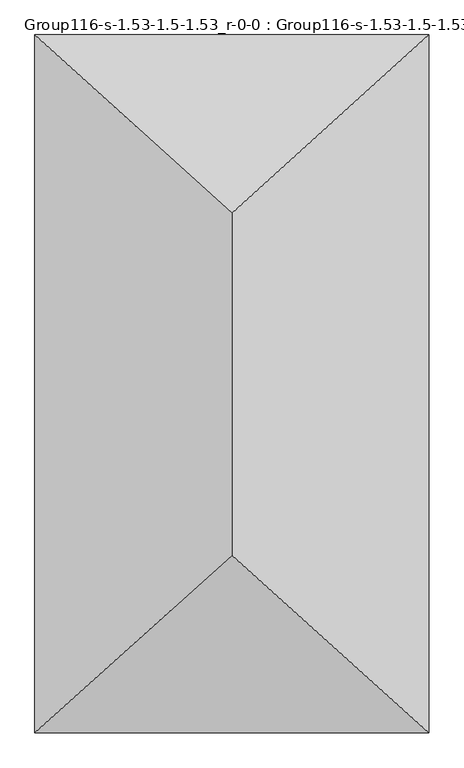
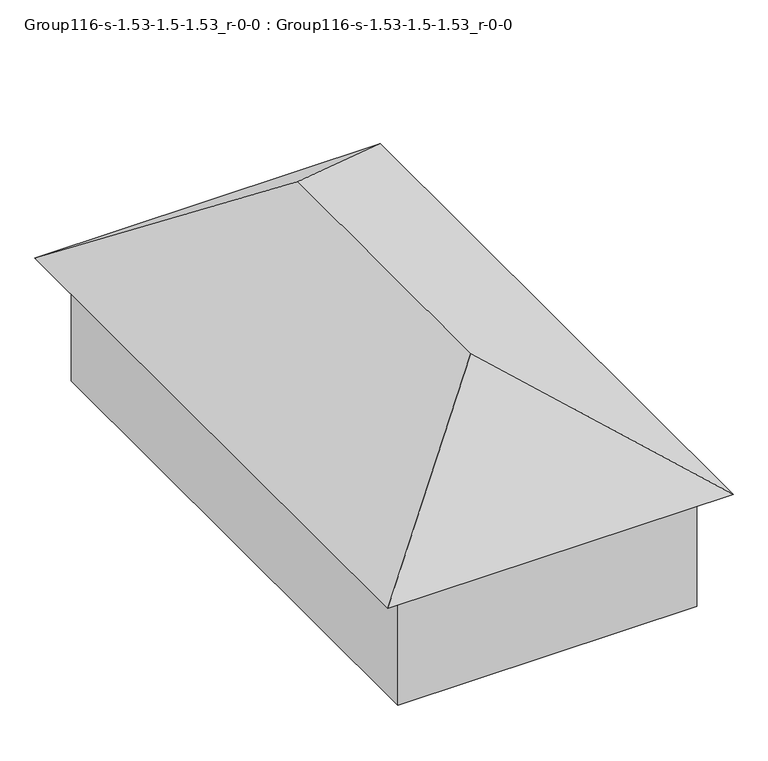
"""IFC4 building model written with IfcOpenShell, lengths in millimetres: geographic element geometry, Group116-s-1.53-1.5-1.53_r-0-0 : Group116-s-1.53-1.5-1.53_r-0-0."""

from ifc_helpers import new_model, si_unit, origin, place, context, project, spatial, triangles, source, transform, mapped, element, save


def group116_s_1_53_1_5_1_53_r_0_0_group116_s_1_53_1_5_1_53_r_0_750b2500(model_context):
    return source(origin(), model_context, "Body", "Tessellation", [
        triangles([(9065.9698792, 16567.8782501, 3494.4945488), (652.6682287, 16567.8782501, 0.0), (652.6682287, 16567.8782501, 3494.4945488), (9065.9698792, 16567.8782501, 0.0), (9065.9698792, 639.2232645, 0.0), (652.6682287, 639.2232645, 3494.4945488), (652.6682287, 639.2232645, 0.0), (9065.9698792, 639.2232645, 3494.4945488), (4859.3190903, 12805.7834656, 6740.8391281), (9718.6381805, 17207.1020233, 3494.4945488), (0.0, 17207.1020233, 3494.4945488), (9718.6381805, 0.0, 3494.4945488), (4859.3190903, 4373.0197037, 6740.8391281), (0.0, 0.0, 3494.4945488)], [[1, 2, 3], [2, 1, 4], [5, 6, 7], [6, 5, 8], [5, 2, 4], [2, 5, 7], [6, 2, 7], [2, 6, 3], [1, 5, 4], [5, 1, 8], [6, 1, 3], [1, 6, 8], [9, 10, 11], [12, 13, 14], [12, 11, 10], [11, 12, 14], [14, 9, 11], [9, 14, 13], [9, 12, 10], [12, 9, 13]]),
    ])


if __name__ == "__main__":
    model = new_model("IFC4")
    model_context = context("Model", 3, world=origin())
    ifc_project = project(units=[si_unit("LENGTHUNIT", "METRE", prefix="MILLI")], contexts=[model_context])
    site = spatial("IfcSite", under=ifc_project)
    building = spatial("IfcBuilding", under=site)
    placement = place(None, origin())
    group116_s_1_53_1_5_1_53_r_0_0_group116_s_1_53_1_5_1_53_r_0_shape = group116_s_1_53_1_5_1_53_r_0_0_group116_s_1_53_1_5_1_53_r_0_750b2500(model_context)
    element("IfcGeographicElement", 1, ObjectType="Group116-s-1.53-1.5-1.53_r-0-0 : Group116-s-1.53-1.5-1.53_r-0-0", at=placement, inside=building, context=model_context, shape_type="MappedRepresentation", body=[
        mapped(group116_s_1_53_1_5_1_53_r_0_0_group116_s_1_53_1_5_1_53_r_0_shape, transform((0.0, 0.0, 0.0), x_axis=(1.0, 0.0, 0.0), y_axis=(0.0, 1.0, 0.0), z_axis=(0.0, 0.0, 1.0))),
    ])
    save(model, "model.ifc")
